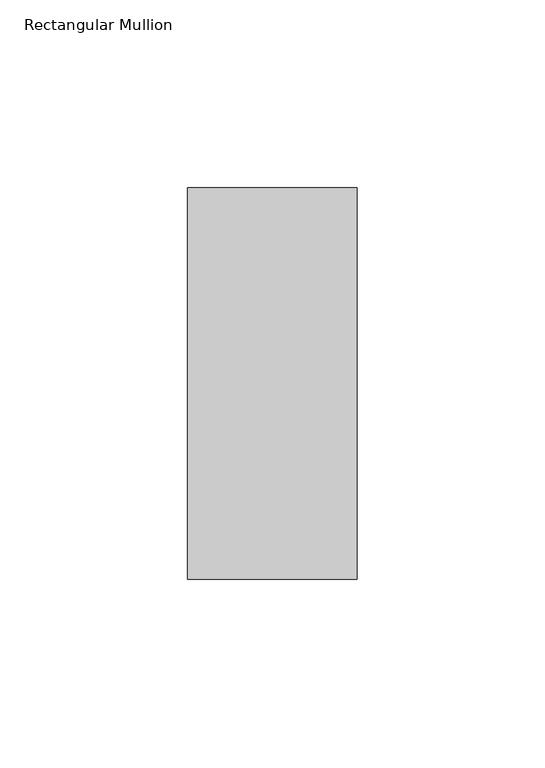
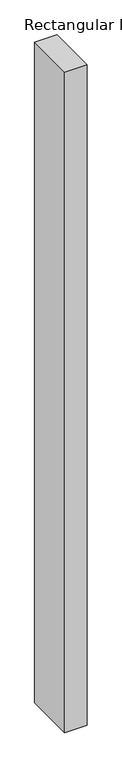
"""IFC4 building model written with IfcOpenShell, lengths in millimetres: member geometry, Rectangular Mullion."""

from ifc_helpers import new_model, si_unit, frame, origin, place, context, project, spatial, polyline, outline, extrude, source, transform, mapped, element, save


def rectangular_mullion_ad5354eb(model_context):
    return source(origin(), model_context, "Body", "SweptSolid", [
        extrude(outline(polyline([(22.5, 67.525), (22.5, -36.525), (-22.5, -36.525), (-22.5, 67.525), (22.5, 67.525)])), frame((0.0, 0.0, -1397.4378906), z_axis=(0.0, 0.0, 1.0), x_axis=(1.0, 0.0, 0.0)), (0.0, 0.0, 1.0), 1397.4378906),
    ])


if __name__ == "__main__":
    model = new_model("IFC4")
    model_context = context("Model", 3, world=origin())
    ifc_project = project(units=[si_unit("LENGTHUNIT", "METRE", prefix="MILLI")], contexts=[model_context])
    site = spatial("IfcSite", under=ifc_project)
    building = spatial("IfcBuilding", under=site)
    placement = place(None, origin())
    rectangular_mullion_shape = rectangular_mullion_ad5354eb(model_context)
    element("IfcMember", 1, ObjectType="Rectangular Mullion", at=placement, inside=building, context=model_context, shape_type="MappedRepresentation", body=[
        mapped(rectangular_mullion_shape, transform((0.0, 0.0, 0.0), x_axis=(1.0, 0.0, 0.0), y_axis=(0.0, 1.0, 0.0), z_axis=(0.0, 0.0, 1.0))),
    ])
    save(model, "model.ifc")
